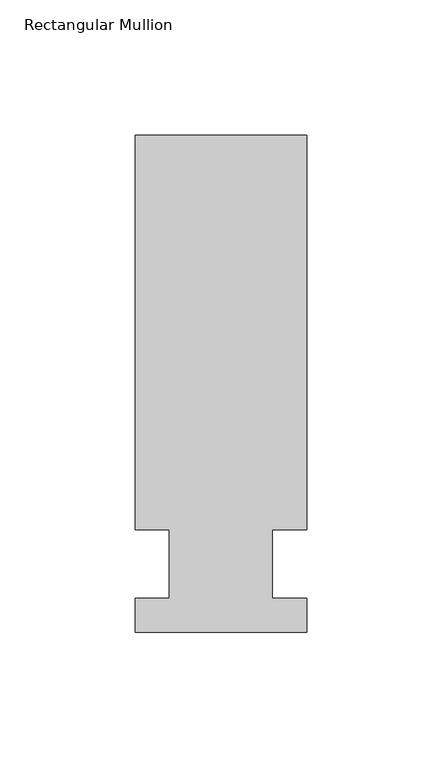
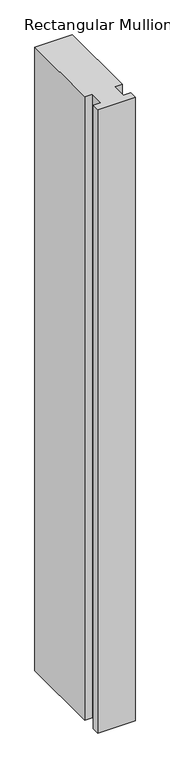
"""IFC4 building model written with IfcOpenShell, lengths in millimetres: member geometry, Rectangular Mullion."""

import ifcopenshell
import ifcopenshell.guid

model = None  # the IFC model being written
_history = None  # IfcOwnerHistory: only IFC2X3 demands one
_inside = {}  # id of a spatial element -> (the spatial element, [elements in it])
_under = {}  # id of a project, library or spatial element -> (it, [spatial elements below it])
_declared = {}  # id of a project -> (the project, [libraries it declares])
_typed = {}  # id of a type object -> (the type object, [elements of that type])
_made_of = {}  # id of a material, layer set ... -> (it, [elements and type objects made of it])


def new_model(schema):
    """Start an empty IFC model of exactly this schema.

    Asked for "IFC4X3", IfcOpenShell would pick the latest addendum, in which some entities
    have other attributes; the version numbers below select the first issue.
    IFC2X3 requires an IfcOwnerHistory on every rooted entity: one is made here for all.
    """
    global model, _history
    if schema == "IFC4X3":
        model = ifcopenshell.file(schema_version=(4, 3, 0, 0))
    else:
        model = ifcopenshell.file(schema=schema)
    _inside.clear()
    _under.clear()
    _declared.clear()
    _typed.clear()
    _made_of.clear()
    _history = None
    if model.schema == "IFC2X3":
        org = make("IfcOrganization", Name="unknown")
        user = make(
            "IfcPersonAndOrganization",
            ThePerson=make("IfcPerson", FamilyName="unknown"),
            TheOrganization=org,
        )
        app = make(
            "IfcApplication",
            ApplicationDeveloper=org,
            Version="unknown",
            ApplicationFullName="unknown",
            ApplicationIdentifier="unknown",
        )
        _history = make(
            "IfcOwnerHistory",
            OwningUser=user,
            OwningApplication=app,
            ChangeAction="ADDED",
            CreationDate=0,
        )
    return model


def make(cls, **values):
    """One entity of the class cls with the attributes given. An attribute that is None is left unset."""
    return model.create_entity(
        cls, **{name: value for name, value in values.items() if value is not None}
    )


def rooted(cls, **values):
    """An entity with a GlobalId (a new one), such as an element, a storey or a relation."""
    return make(cls, GlobalId=ifcopenshell.guid.new(), OwnerHistory=_history, **values)


def si_unit(unit_type, name, prefix=None):
    """IfcSIUnit, for example si_unit("LENGTHUNIT", "METRE", prefix="MILLI")."""
    return make("IfcSIUnit", UnitType=unit_type, Prefix=prefix, Name=name)


def assignment(units):
    """IfcUnitAssignment: the units of a project."""
    return None if units is None else make("IfcUnitAssignment", Units=units)


def point(xyz):
    """IfcCartesianPoint."""
    return None if xyz is None else make("IfcCartesianPoint", Coordinates=xyz)


def direction(xyz):
    """IfcDirection."""
    return None if xyz is None else make("IfcDirection", DirectionRatios=xyz)


def frame(location, z_axis=None, x_axis=None):
    """IfcAxis2Placement3D, a coordinate frame: its origin and axes. An axis left out is left unset."""
    return make(
        "IfcAxis2Placement3D",
        Location=point(location),
        Axis=direction(z_axis),
        RefDirection=direction(x_axis),
    )


def origin():
    """The frame at (0, 0, 0) with its axes left unset."""
    return frame((0.0, 0.0, 0.0))


def place(relative_to, where):
    """IfcLocalPlacement: puts the frame where relative to a parent placement (None: the world)."""
    return make(
        "IfcLocalPlacement", PlacementRelTo=relative_to, RelativePlacement=where
    )


def context(
    kind, dimensions, precision=None, world=None, true_north=None, identifier=None
):
    """IfcGeometricRepresentationContext, for example the 3D "Model" context."""
    return make(
        "IfcGeometricRepresentationContext",
        ContextIdentifier=identifier,
        ContextType=kind,
        CoordinateSpaceDimension=dimensions,
        Precision=precision,
        WorldCoordinateSystem=world,
        TrueNorth=true_north,
    )


def project(units=None, contexts=None):
    """IfcProject with its units and contexts."""
    return rooted(
        "IfcProject",
        Name="project",
        RepresentationContexts=contexts,
        UnitsInContext=assignment(units),
    )


def spatial(cls, under=None, at=None, **own):
    """A site, building, storey or space (cls), placed at a placement, below another one or the project."""
    s = rooted(cls, ObjectPlacement=at, **own)
    if under is not None:
        _under.setdefault(under.id(), (under, []))[1].append(s)
    return s


def polyline(points):
    """IfcPolyline through the points."""
    return make("IfcPolyline", Points=[point(p) for p in points])


def outline(outer, holes=None, kind="AREA"):
    """IfcArbitraryClosedProfileDef: a profile drawn as a closed curve; with holes, ...WithVoids."""
    if holes is None:
        return make("IfcArbitraryClosedProfileDef", ProfileType=kind, OuterCurve=outer)
    return make(
        "IfcArbitraryProfileDefWithVoids",
        ProfileType=kind,
        OuterCurve=outer,
        InnerCurves=holes,
    )


def extrude(swept, where, along, depth):
    """IfcExtrudedAreaSolid: the profile swept, set in the frame where, extruded along a direction by depth."""
    return make(
        "IfcExtrudedAreaSolid",
        SweptArea=swept,
        Position=where,
        ExtrudedDirection=direction(along),
        Depth=depth,
    )


def shape(context_of_items, identifier, shape_type, items):
    """IfcShapeRepresentation: the items that make up one representation, for example the "Body"."""
    return make(
        "IfcShapeRepresentation",
        ContextOfItems=context_of_items,
        RepresentationIdentifier=identifier,
        RepresentationType=shape_type,
        Items=items,
    )


def source(mapping_origin, context_of_items, identifier, shape_type, items):
    """IfcRepresentationMap: a shape defined once, which mapped items show again and again."""
    return make(
        "IfcRepresentationMap",
        MappingOrigin=mapping_origin,
        MappedRepresentation=shape(context_of_items, identifier, shape_type, items),
    )


def transform(
    local_origin,
    x_axis=None,
    y_axis=None,
    z_axis=None,
    scale=None,
    scale2=None,
    scale3=None,
    uniform=True,
):
    """IfcCartesianTransformationOperator3D, or its non-uniform kind. x_axis, y_axis, z_axis: its Axis1, 2, 3."""
    if uniform:
        return make(
            "IfcCartesianTransformationOperator3D",
            Axis1=direction(x_axis),
            Axis2=direction(y_axis),
            LocalOrigin=point(local_origin),
            Scale=scale,
            Axis3=direction(z_axis),
        )
    return make(
        "IfcCartesianTransformationOperator3DnonUniform",
        Axis1=direction(x_axis),
        Axis2=direction(y_axis),
        LocalOrigin=point(local_origin),
        Scale=scale,
        Axis3=direction(z_axis),
        Scale2=scale2,
        Scale3=scale3,
    )


def mapped(mapping_source, mapping_target):
    """IfcMappedItem: shows the shape of a source again, moved by a transform."""
    return make(
        "IfcMappedItem", MappingSource=mapping_source, MappingTarget=mapping_target
    )


def made_of(thing, what):
    """Note that an element or type object is made of a material, layer set ...; save() writes the relation."""
    if what is not None:
        _made_of.setdefault(what.id(), (what, []))[1].append(thing)
    return thing


def element(
    cls,
    number,
    at=None,
    inside=None,
    cuts=None,
    type_object=None,
    material=None,
    context=None,
    identifier="Body",
    shape_type=None,
    held_by="IfcProductDefinitionShape",
    body=None,
    shapes=None,
    **own,
):
    """One element of the class cls, such as IfcWall. Its Tag is "e" and its number.

    at: its placement. inside: the storey or other place that contains it. cuts: it is an
    opening in that element (IfcRelVoidsElement). A single representation is given by context,
    identifier, shape_type and body (its items); several are given by shapes. held_by: the class
    of the entity that holds the representations. save() writes the other relations.
    """
    e = rooted(cls, Tag="e%d" % number, ObjectPlacement=at, **own)
    if body is not None:
        shapes = [shape(context, identifier, shape_type, body)]
    if shapes is not None:
        e.Representation = make(held_by, Representations=shapes)
    if inside is not None:
        _inside.setdefault(inside.id(), (inside, []))[1].append(e)
    if cuts is not None:
        rooted(
            "IfcRelVoidsElement", RelatingBuildingElement=cuts, RelatedOpeningElement=e
        )
    if type_object is not None:
        _typed.setdefault(type_object.id(), (type_object, []))[1].append(e)
    return made_of(e, material)


def aggregate(whole, parts):
    """IfcRelAggregates: a whole, such as a stair, and the parts it consists of."""
    return rooted("IfcRelAggregates", RelatingObject=whole, RelatedObjects=parts)


def save(model, path):
    """Write the relations noted so far, then the file.

    IfcRelAggregates (storeys below a building ...), IfcRelContainedInSpatialStructure (elements
    in a storey), IfcRelDefinesByType, IfcRelAssociatesMaterial and IfcRelDeclares: one each for
    every whole, place, type object, material and project.
    """
    for whole, parts in _under.values():
        aggregate(whole, parts)
    for where, things in _inside.values():
        rooted(
            "IfcRelContainedInSpatialStructure",
            RelatedElements=things,
            RelatingStructure=where,
        )
    for kind, things in _typed.values():
        rooted("IfcRelDefinesByType", RelatedObjects=things, RelatingType=kind)
    for what, things in _made_of.values():
        rooted("IfcRelAssociatesMaterial", RelatedObjects=things, RelatingMaterial=what)
    for by, libraries in _declared.values():
        rooted("IfcRelDeclares", RelatingContext=by, RelatedDefinitions=libraries)
    model.write(path)


def rectangular_mullion_b3c6befa(model_context):
    return source(origin(), model_context, "Body", "SweptSolid", [
        extrude(outline(polyline([(36.0844027, 158.75), (36.0844027, 12.7), (23.3826322, 12.7), (23.3826322, -12.7), (36.0844027, -12.7), (36.0844027, -25.4), (-27.4155973, -25.4), (-27.4155973, -12.7), (-14.7155973, -12.7), (-14.7155973, 12.7), (-27.4155973, 12.7), (-27.4155973, 158.75), (36.0844027, 158.75)])), frame((0.0, 0.0, -1117.6), z_axis=(0.0, 0.0, 1.0), x_axis=(1.0, 0.0, 0.0)), (0.0, 0.0, 1.0), 1117.6),
    ])


if __name__ == "__main__":
    model = new_model("IFC4")
    model_context = context("Model", 3, world=origin())
    ifc_project = project(units=[si_unit("LENGTHUNIT", "METRE", prefix="MILLI")], contexts=[model_context])
    site = spatial("IfcSite", under=ifc_project)
    building = spatial("IfcBuilding", under=site)
    placement = place(None, origin())
    rectangular_mullion_shape = rectangular_mullion_b3c6befa(model_context)
    element("IfcMember", 1, ObjectType="Rectangular Mullion", at=placement, inside=building, context=model_context, shape_type="MappedRepresentation", body=[
        mapped(rectangular_mullion_shape, transform((0.0, 0.0, 0.0), x_axis=(1.0, 0.0, 0.0), y_axis=(0.0, 1.0, 0.0), z_axis=(0.0, 0.0, 1.0))),
    ])
    save(model, "model.ifc")
